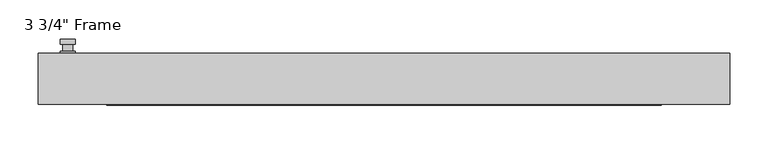
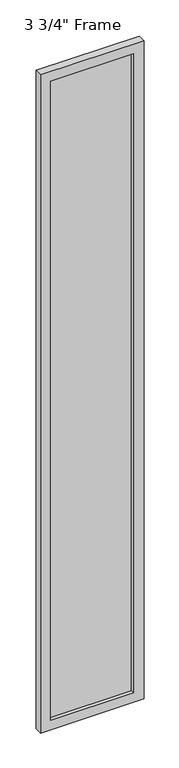
"""IFC4 building model written with IfcOpenShell, lengths in millimetres: plate geometry."""

from ifc_helpers import new_model, si_unit, frame, origin, place, context, project, spatial, polyline, circle_curve, outline, extrude, faceted_brep, source, transform, mapped, element, save
from ifc_brep_helpers import plane_surface, cylinder_surface, advanced_brep


def plate_644f7e41(model_context):
    return source(origin(), model_context, "Body", "SolidModel", [
        advanced_brep(
        [(-401.6375, 33.3375, 927.1), (-420.6875, 33.3375, 927.1), (-420.6875, 33.3375, 901.7), (-401.6375, 33.3375, 901.7), (-404.8125, 46.0375, 914.4), (-404.8125, 36.5125, 914.4), (-417.5125, 36.5125, 914.4), (-417.5125, 46.0375, 914.4), (-401.6375, 46.0375, 914.4), (-420.6875, 46.0375, 914.4), (-417.5084644, 46.0375, 825.2736467), (-404.8165356, 46.0375, 825.2736467), (-401.6375, 52.3875, 914.4), (-404.8165356, 52.3875, 825.2736467), (-417.5084644, 52.3875, 825.2736467), (-420.6875, 52.3875, 914.4), (-401.6375, 36.5125, 927.1), (-401.6375, 36.5125, 901.7), (-420.6875, 36.5125, 901.7), (-420.6875, 36.5125, 927.1)],
        [
            (0, 1, circle_curve(frame((-411.1625, 33.3375, 927.1), z_axis=(0.0, -1.0, 0.0), x_axis=(-1.0, 0.0, 0.0)), 9.525)),
            (1, 2),
            (2, 3, circle_curve(frame((-411.1625, 33.3375, 901.7), z_axis=(0.0, -1.0, 0.0), x_axis=(-1.0, 0.0, 0.0)), 9.525)),
            (3, 0),
            (4, 5),
            (5, 6, circle_curve(frame((-411.1625, 36.5125, 914.4), z_axis=(0.0, 1.0, 0.0), x_axis=(-1.0, 0.0, 0.0)), 6.35)),
            (6, 7),
            (7, 4, circle_curve(frame((-411.1625, 46.0375, 914.4), z_axis=(0.0, -1.0, 0.0), x_axis=(-1.0, 0.0, 0.0)), 6.35)),
            (6, 5, circle_curve(frame((-411.1625, 36.5125, 914.4), z_axis=(0.0, 1.0, 0.0), x_axis=(-1.0, 0.0, 0.0)), 6.35)),
            (4, 7, circle_curve(frame((-411.1625, 46.0375, 914.4), z_axis=(0.0, -1.0, 0.0), x_axis=(-1.0, 0.0, 0.0)), 6.35)),
            (8, 9, circle_curve(frame((-411.1625, 46.0375, 914.4), z_axis=(0.0, -1.0, 0.0), x_axis=(-1.0, 0.0, 0.0)), 9.525)),
            (9, 10),
            (10, 11, circle_curve(frame((-411.1625, 46.0375, 825.5), z_axis=(0.0, -1.0, 0.0), x_axis=(-1.0, 0.0, 0.0)), 6.35)),
            (11, 8),
            (12, 13),
            (13, 14, circle_curve(frame((-411.1625, 52.3875, 825.5), z_axis=(0.0, 1.0, 0.0), x_axis=(-1.0, 0.0, 0.0)), 6.35)),
            (14, 15),
            (15, 12, circle_curve(frame((-411.1625, 52.3875, 914.4), z_axis=(0.0, 1.0, 0.0), x_axis=(-1.0, 0.0, 0.0)), 9.525)),
            (11, 13),
            (12, 8),
            (10, 14),
            (9, 15),
            (16, 17),
            (17, 18, circle_curve(frame((-411.1625, 36.5125, 901.7), z_axis=(0.0, 1.0, 0.0), x_axis=(-1.0, 0.0, 0.0)), 9.525)),
            (18, 19),
            (19, 16, circle_curve(frame((-411.1625, 36.5125, 927.1), z_axis=(0.0, 1.0, 0.0), x_axis=(-1.0, 0.0, 0.0)), 9.525)),
            (3, 17),
            (16, 0),
            (2, 18),
            (1, 19),
        ],
        [
            plane_surface(frame((-417.5125, 33.3375, 914.4), z_axis=(0.0, -1.0, 0.0), x_axis=(0.0, 0.0, 1.0))),
            cylinder_surface(frame((-411.1625, 46.0375, 914.4), z_axis=(0.0, -1.0, 0.0), x_axis=(-1.0, 0.0, 0.0)), 6.35),
            plane_surface(frame((-401.6375, 46.0375, 914.4), z_axis=(0.0, -1.0000000000000002, 0.0), x_axis=(-0.03564619348186888, 0.0, -0.9993644724975235))),
            plane_surface(frame((-401.6375, 52.3875, 914.4), z_axis=(0.0, 1.0000000000000002, 0.0), x_axis=(0.03564619348186888, 0.0, 0.9993644724975235))),
            plane_surface(frame((-401.6375, 46.0375, 914.4), z_axis=(0.9993644724975235, 0.0, -0.03564619348186888), x_axis=(0.0, 1.0, 0.0))),
            cylinder_surface(frame((-411.1625, 52.3875, 825.5), z_axis=(0.0, -1.0, 0.0), x_axis=(-1.0, 0.0, 0.0)), 6.35),
            plane_surface(frame((-417.5084644, 46.0375, 825.2736467), z_axis=(-0.9993644724975228, 0.0, -0.03564619348188612), x_axis=(0.0, 1.0, 0.0))),
            cylinder_surface(frame((-411.1625, 52.3875, 914.4), z_axis=(0.0, -1.0, 0.0), x_axis=(-1.0, 0.0, 0.0)), 9.525),
            plane_surface(frame((-401.6375, 36.5125, 901.7), z_axis=(0.0, 1.0, 0.0), x_axis=(0.0, 0.0, 1.0))),
            plane_surface(frame((-401.6375, 33.3375, 927.1), z_axis=(1.0, 0.0, 0.0), x_axis=(0.0, 1.0, 0.0))),
            cylinder_surface(frame((-411.1625, 36.5125, 901.7), z_axis=(0.0, -1.0, 0.0), x_axis=(-1.0, 0.0, 0.0)), 9.525),
            plane_surface(frame((-420.6875, 33.3375, 901.7), z_axis=(-1.0, 0.0, 0.0), x_axis=(0.0, 1.0, 0.0))),
            cylinder_surface(frame((-411.1625, 36.5125, 927.1), z_axis=(0.0, -1.0, 0.0), x_axis=(-1.0, 0.0, 0.0)), 9.525),
        ],
        [
            (0, [[1, 2, 3, 4]]),
            (1, [[5, 6, 7, 8]]),
            (1, [[-7, 9, -5, 10]]),
            (2, [[11, 12, 13, 14], [-10, -8]]),
            (3, [[15, 16, 17, 18]]),
            (4, [[19, -15, 20, -14]]),
            (5, [[21, -16, -19, -13]]),
            (6, [[22, -17, -21, -12]]),
            (7, [[-20, -18, -22, -11]]),
            (8, [[23, 24, 25, 26], [-9, -6]]),
            (9, [[27, -23, 28, -4]]),
            (10, [[29, -24, -27, -3]]),
            (11, [[30, -25, -29, -2]]),
            (12, [[-28, -26, -30, -1]]),
        ],
    ),
        faceted_brep([(-449.2625, 33.3375, 0.0), (449.2625, 33.3375, 0.0), (449.2625, -33.3375, 0.0), (-449.2625, -33.3375, 0.0), (-449.2625, 33.3375, 6038.85), (449.2625, 33.3375, 6038.85), (-360.3625, 33.3375, 5949.95), (-360.3625, 33.3375, 88.9), (360.3625, 33.3375, 88.9), (360.3625, 33.3375, 5949.95), (-449.2625, -33.3375, 6038.85), (449.2625, -33.3375, 6038.85), (-360.3625, -33.3375, 5949.95), (360.3625, -33.3375, 5949.95), (360.3625, -33.3375, 88.9), (-360.3625, -33.3375, 88.9), (-354.0125, -11.90625, 95.25), (-354.0125, -11.90625, 5943.6), (366.7125, -11.90625, 5956.3), (366.7125, -11.90625, 82.55), (-366.7125, -11.90625, 82.55), (-366.7125, -11.90625, 5956.3), (354.0125, -11.90625, 95.25), (354.0125, -11.90625, 5943.6), (-366.7125, 11.90625, 82.55), (-366.7125, 11.90625, 5956.3), (366.7125, 11.90625, 82.55), (366.7125, 11.90625, 5956.3), (-354.0125, 11.90625, 5943.6), (354.0125, 11.90625, 5943.6), (354.0125, 11.90625, 95.25), (-354.0125, 11.90625, 95.25)], [[[0, 1, 2, 3]], [[0, 4, 5, 1], [6, 7, 8, 9]], [[3, 10, 4, 0]], [[2, 11, 10, 3], [12, 13, 14, 15]], [[12, 15, 16, 17]], [[18, 19, 20, 21], [17, 16, 22, 23]], [[20, 24, 25, 21]], [[25, 24, 26, 27], [28, 29, 30, 31]], [[28, 31, 7, 6]], [[4, 10, 11, 5]], [[12, 17, 23, 13]], [[21, 25, 27, 18]], [[9, 29, 28, 6]], [[5, 11, 2, 1]], [[23, 22, 14, 13]], [[26, 19, 18, 27]], [[9, 8, 30, 29]], [[7, 31, 30, 8]], [[19, 26, 24, 20]], [[16, 15, 14, 22]]]),
        extrude(outline(polyline([(366.7125, 11.90625), (366.7125, -11.90625), (-366.7125, -11.90625), (-366.7125, 11.90625), (366.7125, 11.90625)])), frame((0.0, 0.0, 82.55), z_axis=(0.0, 0.0, 1.0), x_axis=(1.0, 0.0, 0.0)), (0.0, 0.0, 1.0), 5873.75),
    ])


if __name__ == "__main__":
    model = new_model("IFC4")
    model_context = context("Model", 3, world=origin())
    ifc_project = project(units=[si_unit("LENGTHUNIT", "METRE", prefix="MILLI")], contexts=[model_context])
    site = spatial("IfcSite", under=ifc_project)
    building = spatial("IfcBuilding", under=site)
    placement = place(None, origin())
    plate_shape = plate_644f7e41(model_context)
    element("IfcPlate", 1, ObjectType="3 3/4\" Frame", at=placement, inside=building, context=model_context, shape_type="MappedRepresentation", body=[
        mapped(plate_shape, transform((0.0, 0.0, 0.0), x_axis=(1.0, 0.0, 0.0), y_axis=(0.0, 1.0, 0.0), z_axis=(0.0, 0.0, 1.0))),
    ])
    save(model, "model.ifc")
